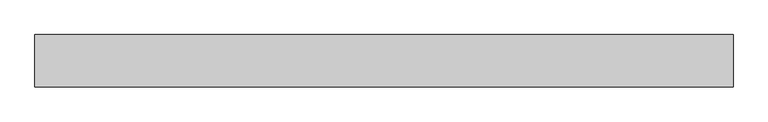
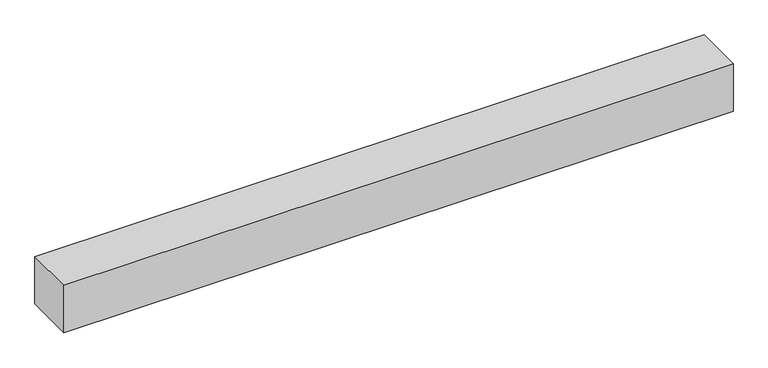
"""IFC4 building model written with IfcOpenShell, lengths in millimetres: beam geometry."""

from ifc_helpers import new_model, si_unit, frame, origin, place, context, project, spatial, polyline, outline, extrude, source, transform, mapped, element, save


def beam_9c76426c(model_context):
    return source(origin(), model_context, "Body", "SweptSolid", [
        extrude(outline(polyline([(999.9999994, 75.0), (999.9999994, -75.0), (-1000.0, -75.0), (-1000.0, 75.0), (999.9999994, 75.0)])), frame((0.0, 0.0, -75.0), z_axis=(0.0, 0.0, 1.0), x_axis=(1.0, 0.0, 0.0)), (0.0, 0.0, 1.0), 150.0),
    ])


if __name__ == "__main__":
    model = new_model("IFC4")
    model_context = context("Model", 3, world=origin())
    ifc_project = project(units=[si_unit("LENGTHUNIT", "METRE", prefix="MILLI")], contexts=[model_context])
    site = spatial("IfcSite", under=ifc_project)
    building = spatial("IfcBuilding", under=site)
    placement = place(None, origin())
    beam_shape = beam_9c76426c(model_context)
    element("IfcBeam", 1, at=placement, inside=building, context=model_context, shape_type="MappedRepresentation", body=[
        mapped(beam_shape, transform((0.0, 0.0, 0.0), x_axis=(1.0, 0.0, 0.0), y_axis=(0.0, 1.0, 0.0), z_axis=(0.0, 0.0, 1.0))),
    ])
    save(model, "model.ifc")
